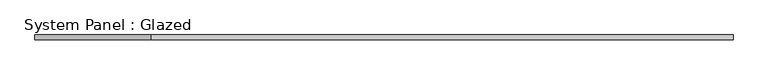
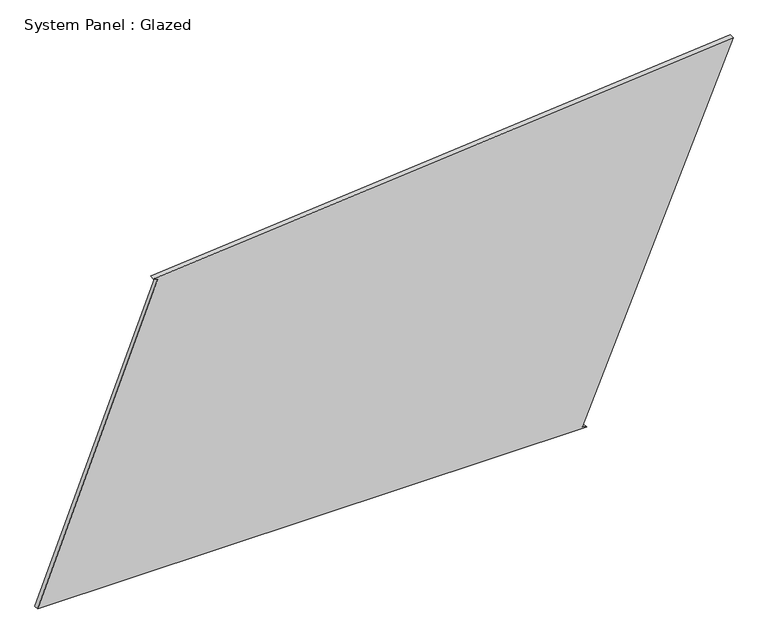
"""IFC4 building model written with IfcOpenShell, lengths in millimetres: plate geometry, System Panel : Glazed."""

from ifc_helpers import new_model, si_unit, frame, origin, place, context, project, spatial, polyline, outline, extrude, source, transform, mapped, element, save


def system_panel_glazed_f071a94e(model_context):
    return source(origin(), model_context, "Body", "SweptSolid", [
        extrude(outline(polyline([(0.0, -1817.3300652), (0.0, 1051.390268), (9.6909685, 1028.3449836), (1885.9106166, 1817.3300652), (1612.6986417, -1212.8083917), (1603.5847361, -1189.5288572), (0.0, -1817.3300652)])), frame((0.0, -49.5, 0.0), z_axis=(0.0, 1.0, 0.0), x_axis=(0.0, 0.0, 1.0)), (0.0, 0.0, 1.0), 25.0),
    ])


if __name__ == "__main__":
    model = new_model("IFC4")
    model_context = context("Model", 3, world=origin())
    ifc_project = project(units=[si_unit("LENGTHUNIT", "METRE", prefix="MILLI")], contexts=[model_context])
    site = spatial("IfcSite", under=ifc_project)
    building = spatial("IfcBuilding", under=site)
    placement = place(None, origin())
    system_panel_glazed_shape = system_panel_glazed_f071a94e(model_context)
    element("IfcPlate", 1, ObjectType="System Panel : Glazed", at=placement, inside=building, context=model_context, shape_type="MappedRepresentation", body=[
        mapped(system_panel_glazed_shape, transform((0.0, 0.0, 0.0), x_axis=(1.0, 0.0, 0.0), y_axis=(0.0, 1.0, 0.0), z_axis=(0.0, 0.0, 1.0))),
    ])
    save(model, "model.ifc")
